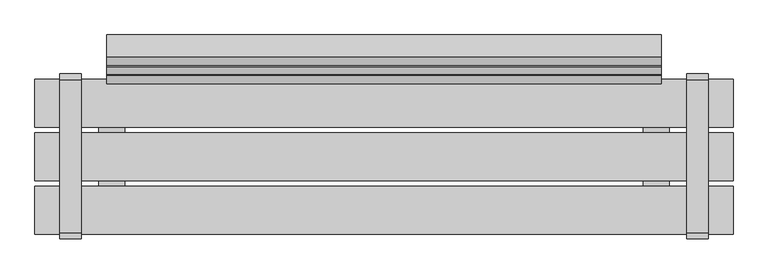
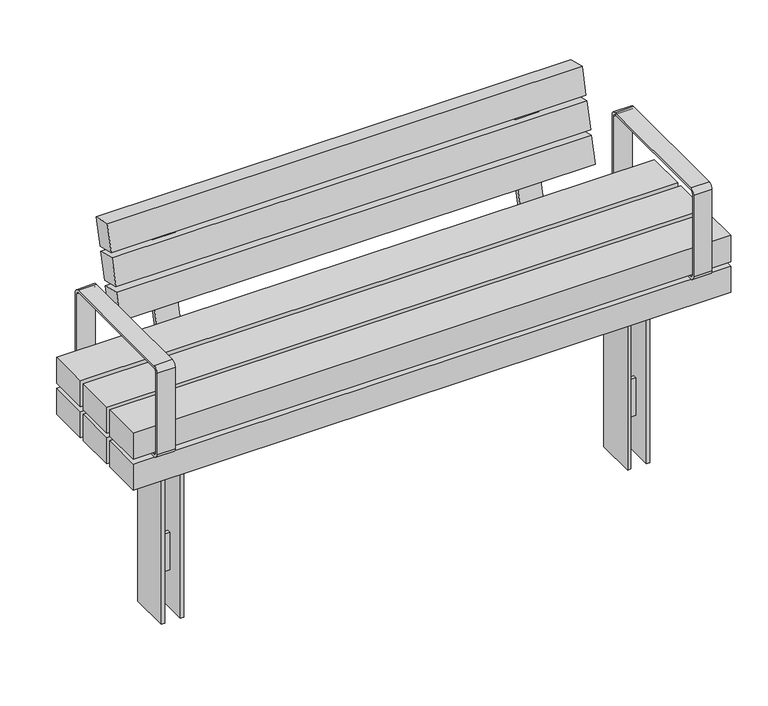
"""IFC4 building model written with IfcOpenShell, lengths in millimetres: furniture geometry."""

from ifc_helpers import new_model, si_unit, point, frame, frame_2d, origin, place, context, project, spatial, polyline, circle_curve, trimmed, segment, composite_curve, outline, extrude, faceted_brep, source, transform, mapped, element, save


def furniture_9294d558(model_context):
    return source(origin(), model_context, "Body", "SolidModel", [
        faceted_brep([(-678.5975006, -5.0, -60.0), (-725.6380966, -5.0, -60.0), (-725.6380966, -5.0, -180.0), (-678.5975006, -5.0, -180.0), (-678.5975006, 5.0, -180.0), (-725.6380966, 5.0, -180.0), (-725.6380966, 5.0, -60.0), (-678.5975006, 5.0, -60.0), (-785.6380966, -61.5083224, 258.7167987), (-735.6380966, -61.5083224, 258.7167987), (-735.6380966, -61.5083224, -300.0), (-725.6380966, -61.5083224, -300.0), (-725.6380966, -61.5083224, 268.7167987), (-785.6380966, -61.5083224, 268.7167987), (-618.5975006, -61.5083224, 258.7167987), (-618.5975006, -61.5083224, 268.7167987), (-678.5975006, -61.5083224, 268.7167987), (-678.5975006, -61.5083224, -300.0), (-668.5975006, -61.5083224, -300.0), (-668.5975006, -61.5083224, 258.7167987), (-618.5975006, 61.5083654, 258.7167987), (-668.5975006, 61.5083654, 258.7167987), (-668.5975006, 61.5083654, -300.0), (-678.5975006, 61.5083654, -300.0), (-678.5975006, 61.5083654, 268.7167987), (-618.5975006, 61.5083654, 268.7167987), (-785.6380966, 61.5083654, 258.7167987), (-785.6380966, 61.5083654, 268.7167987), (-725.6380966, 61.5083654, 268.7167987), (-725.6380966, 61.5083654, -300.0), (-735.6380966, 61.5083654, -300.0), (-735.6380966, 61.5083654, 258.7167987)], [[[0, 1, 2, 3]], [[4, 5, 6, 7]], [[1, 0, 7, 6]], [[3, 2, 5, 4]], [[8, 9, 10, 11, 12, 13]], [[14, 15, 16, 17, 18, 19]], [[20, 21, 22, 23, 24, 25]], [[26, 27, 28, 29, 30, 31]], [[9, 8, 26, 31]], [[10, 9, 31, 30]], [[19, 18, 22, 21]], [[14, 19, 21, 20]], [[15, 14, 20, 25]], [[16, 15, 25, 24]], [[17, 16, 24, 23], [0, 3, 4, 7]], [[12, 11, 29, 28], [2, 1, 6, 5]], [[13, 12, 28, 27]], [[8, 13, 27, 26]], [[11, 10, 30, 29]], [[18, 17, 23, 22]]]),
        faceted_brep([(725.6380966, -5.0, -60.0), (678.5975006, -5.0, -60.0), (678.5975006, -5.0, -180.0), (725.6380966, -5.0, -180.0), (725.6380966, 5.0, -180.0), (678.5975006, 5.0, -180.0), (678.5975006, 5.0, -60.0), (725.6380966, 5.0, -60.0), (785.6380966, -61.5083224, 258.7167987), (785.6380966, -61.5083224, 268.7167987), (725.6380966, -61.5083224, 268.7167987), (725.6380966, -61.5083224, -300.0), (735.6380966, -61.5083224, -300.0), (735.6380966, -61.5083224, 258.7167987), (618.5975006, -61.5083224, 258.7167987), (668.5975006, -61.5083224, 258.7167987), (668.5975006, -61.5083224, -300.0), (678.5975006, -61.5083224, -300.0), (678.5975006, -61.5083224, 268.7167987), (618.5975006, -61.5083224, 268.7167987), (785.6380966, 61.5083654, 258.7167987), (735.6380966, 61.5083654, 258.7167987), (735.6380966, 61.5083654, -300.0), (725.6380966, 61.5083654, -300.0), (725.6380966, 61.5083654, 268.7167987), (785.6380966, 61.5083654, 268.7167987), (618.5975006, 61.5083654, 258.7167987), (618.5975006, 61.5083654, 268.7167987), (678.5975006, 61.5083654, 268.7167987), (678.5975006, 61.5083654, -300.0), (668.5975006, 61.5083654, -300.0), (668.5975006, 61.5083654, 258.7167987)], [[[0, 1, 2, 3]], [[4, 5, 6, 7]], [[1, 0, 7, 6]], [[3, 2, 5, 4]], [[8, 9, 10, 11, 12, 13]], [[14, 15, 16, 17, 18, 19]], [[20, 21, 22, 23, 24, 25]], [[26, 27, 28, 29, 30, 31]], [[9, 8, 20, 25]], [[10, 9, 25, 24]], [[11, 10, 24, 23], [0, 3, 4, 7]], [[12, 11, 23, 22]], [[13, 12, 22, 21]], [[8, 13, 21, 20]], [[15, 14, 26, 31]], [[16, 15, 31, 30]], [[17, 16, 30, 29]], [[18, 17, 29, 28], [2, 1, 6, 5]], [[19, 18, 28, 27]], [[14, 19, 27, 26]]]),
        extrude(outline(composite_curve([segment(polyline([(198.4124417, 351.8217453), (-196.5875583, 351.8217453)]), True, "CONTINUOUS"), segment(trimmed(circle_curve(frame_2d((-196.5875583, 366.8217453)), 15.0), [point((-196.5875583, 351.8217453))], [point((-211.5875583, 366.8217453))], False, "CARTESIAN"), True, "CONTINUOUS"), segment(polyline([(-211.5875583, 366.8217453), (-211.5875583, 626.8217453)]), True, "CONTINUOUS"), segment(trimmed(circle_curve(frame_2d((-196.5875583, 626.8217453)), 15.0), [point((-211.5875583, 626.8217453))], [point((-196.5875583, 641.8217453))], False, "CARTESIAN"), True, "CONTINUOUS"), segment(polyline([(-196.5875583, 641.8217453), (198.4124417, 641.8217453)]), True, "CONTINUOUS"), segment(trimmed(circle_curve(frame_2d((198.4124417, 626.8217453)), 15.0), [point((198.4124417, 641.8217453))], [point((213.4124417, 626.8217453))], False, "CARTESIAN"), True, "CONTINUOUS"), segment(polyline([(213.4124417, 626.8217453), (213.4124417, 366.8217453)]), True, "CONTINUOUS"), segment(trimmed(circle_curve(frame_2d((198.4124417, 366.8217453)), 15.0), [point((213.4124417, 366.8217453))], [point((198.4124417, 351.8217453))], False, "CARTESIAN"), True, "CONTINUOUS")], self_intersect=False), holes=[composite_curve([segment(trimmed(circle_curve(frame_2d((-196.5875583, 366.8217453)), 6.5), [point((-203.0875583, 366.8217453))], [point((-196.5875583, 360.3217453))], True, "CARTESIAN"), True, "CONTINUOUS"), segment(polyline([(-196.5875583, 360.3217453), (198.4124417, 360.3217453)]), True, "CONTINUOUS"), segment(trimmed(circle_curve(frame_2d((198.4124417, 366.8217453)), 6.5), [point((198.4124417, 360.3217453))], [point((204.9124417, 366.8217453))], True, "CARTESIAN"), True, "CONTINUOUS"), segment(polyline([(204.9124417, 366.8217453), (204.9124417, 626.8217453)]), True, "CONTINUOUS"), segment(trimmed(circle_curve(frame_2d((198.4124417, 626.8217453)), 6.5), [point((204.9124417, 626.8217453))], [point((198.4124417, 633.3217453))], True, "CARTESIAN"), True, "CONTINUOUS"), segment(polyline([(198.4124417, 633.3217453), (-196.5875583, 633.3217453)]), True, "CONTINUOUS"), segment(trimmed(circle_curve(frame_2d((-196.5875583, 626.8217453)), 6.5), [point((-196.5875583, 633.3217453))], [point((-203.0875583, 626.8217453))], True, "CARTESIAN"), True, "CONTINUOUS"), segment(polyline([(-203.0875583, 626.8217453), (-203.0875583, 366.8217453)]), True, "CONTINUOUS")], self_intersect=False)]), frame((-836.1291871, 0.0, 0.0), z_axis=(1.0, 0.0, 0.0), x_axis=(0.0, 1.0, 0.0)), (0.0, 0.0, 1.0), 55.0),
        extrude(outline(polyline([(351.8217453, 900.0000373), (351.8217453, -900.0), (268.7167987, -900.0), (268.7167987, 900.0000373), (351.8217453, 900.0000373)]), holes=[polyline([(339.8217453, -888.0), (339.8217453, 888.0), (280.7167987, 888.0), (280.7167987, -888.0), (339.8217453, -888.0)])]), frame((0.0, -61.5000218, 0.0), z_axis=(0.0, 1.0, 0.0), x_axis=(0.0, 0.0, 1.0)), (0.0, 0.0, 1.0), 123.0000435),
        extrude(outline(composite_curve([segment(polyline([(198.4124417, 351.8217453), (-196.5875583, 351.8217453)]), True, "CONTINUOUS"), segment(trimmed(circle_curve(frame_2d((-196.5875583, 366.8217453)), 15.0), [point((-196.5875583, 351.8217453))], [point((-211.5875583, 366.8217453))], False, "CARTESIAN"), True, "CONTINUOUS"), segment(polyline([(-211.5875583, 366.8217453), (-211.5875583, 626.8217453)]), True, "CONTINUOUS"), segment(trimmed(circle_curve(frame_2d((-196.5875583, 626.8217453)), 15.0), [point((-211.5875583, 626.8217453))], [point((-196.5875583, 641.8217453))], False, "CARTESIAN"), True, "CONTINUOUS"), segment(polyline([(-196.5875583, 641.8217453), (198.4124417, 641.8217453)]), True, "CONTINUOUS"), segment(trimmed(circle_curve(frame_2d((198.4124417, 626.8217453)), 15.0), [point((198.4124417, 641.8217453))], [point((213.4124417, 626.8217453))], False, "CARTESIAN"), True, "CONTINUOUS"), segment(polyline([(213.4124417, 626.8217453), (213.4124417, 366.8217453)]), True, "CONTINUOUS"), segment(trimmed(circle_curve(frame_2d((198.4124417, 366.8217453)), 15.0), [point((213.4124417, 366.8217453))], [point((198.4124417, 351.8217453))], False, "CARTESIAN"), True, "CONTINUOUS")], self_intersect=False), holes=[composite_curve([segment(trimmed(circle_curve(frame_2d((-196.5875583, 366.8217453)), 6.5), [point((-203.0875583, 366.8217453))], [point((-196.5875583, 360.3217453))], True, "CARTESIAN"), True, "CONTINUOUS"), segment(polyline([(-196.5875583, 360.3217453), (198.4124417, 360.3217453)]), True, "CONTINUOUS"), segment(trimmed(circle_curve(frame_2d((198.4124417, 366.8217453)), 6.5), [point((198.4124417, 360.3217453))], [point((204.9124417, 366.8217453))], True, "CARTESIAN"), True, "CONTINUOUS"), segment(polyline([(204.9124417, 366.8217453), (204.9124417, 626.8217453)]), True, "CONTINUOUS"), segment(trimmed(circle_curve(frame_2d((198.4124417, 626.8217453)), 6.5), [point((204.9124417, 626.8217453))], [point((198.4124417, 633.3217453))], True, "CARTESIAN"), True, "CONTINUOUS"), segment(polyline([(198.4124417, 633.3217453), (-196.5875583, 633.3217453)]), True, "CONTINUOUS"), segment(trimmed(circle_curve(frame_2d((-196.5875583, 626.8217453)), 6.5), [point((-196.5875583, 633.3217453))], [point((-203.0875583, 626.8217453))], True, "CARTESIAN"), True, "CONTINUOUS"), segment(polyline([(-203.0875583, 626.8217453), (-203.0875583, 366.8217453)]), True, "CONTINUOUS")], self_intersect=False)]), frame((781.1291871, 0.0, 0.0), z_axis=(1.0, 0.0, 0.0), x_axis=(0.0, 1.0, 0.0)), (0.0, 0.0, 1.0), 55.0),
        extrude(outline(composite_curve([segment(polyline([(301.7676975, 665.0239384), (227.7235932, 368.0492568)]), True, "CONTINUOUS"), segment(trimmed(circle_curve(frame_2d((206.9533257, 373.2278661)), 21.4061208), [point((227.7235932, 368.0492568))], [point((206.9533257, 351.8217453))], False, "CARTESIAN"), True, "CONTINUOUS"), segment(polyline([(206.9533257, 351.8217453), (76.4999782, 351.8217453), (76.4999782, 366.8258682), (207.2227467, 366.8258682)]), True, "CONTINUOUS"), segment(trimmed(circle_curve(frame_2d((207.2227467, 376.8258682)), 10.0), [point((207.2227467, 366.8258682))], [point((216.925704, 374.4066493))], True, "CARTESIAN"), True, "CONTINUOUS"), segment(polyline([(216.925704, 374.4066493), (290.8352259, 670.8415506), (252.7658072, 680.3333227), (255.6688699, 691.9768714), (290.84209, 683.2072027)]), True, "CONTINUOUS"), segment(trimmed(circle_curve(frame_2d((287.2132616, 668.6527668)), 15.0), [point((290.84209, 683.2072027))], [point((301.7676975, 665.0239384))], False, "CARTESIAN"), True, "CONTINUOUS")], self_intersect=False)), frame((-582.1768452, 0.0, 0.0), z_axis=(1.0, 0.0, 0.0), x_axis=(0.0, 1.0, 0.0)), (0.0, 0.0, 1.0), 70.0),
        extrude(outline(composite_curve([segment(polyline([(301.7676975, 665.0239384), (227.7235932, 368.0492568)]), True, "CONTINUOUS"), segment(trimmed(circle_curve(frame_2d((206.9533257, 373.2278661)), 21.4061208), [point((227.7235932, 368.0492568))], [point((206.9533257, 351.8217453))], False, "CARTESIAN"), True, "CONTINUOUS"), segment(polyline([(206.9533257, 351.8217453), (76.4999782, 351.8217453), (76.4999782, 366.8258682), (207.2227467, 366.8258682)]), True, "CONTINUOUS"), segment(trimmed(circle_curve(frame_2d((207.2227467, 376.8258682)), 10.0), [point((207.2227467, 366.8258682))], [point((216.925704, 374.4066493))], True, "CARTESIAN"), True, "CONTINUOUS"), segment(polyline([(216.925704, 374.4066493), (290.8352259, 670.8415506), (252.7658072, 680.3333227), (255.6688699, 691.9768714), (290.84209, 683.2072027)]), True, "CONTINUOUS"), segment(trimmed(circle_curve(frame_2d((287.2132616, 668.6527668)), 15.0), [point((290.84209, 683.2072027))], [point((301.7676975, 665.0239384))], False, "CARTESIAN"), True, "CONTINUOUS")], self_intersect=False)), frame((512.1769562, 0.0, 0.0), z_axis=(1.0, 0.0, 0.0), x_axis=(0.0, 1.0, 0.0)), (0.0, 0.0, 1.0), 70.0),
        extrude(outline(polyline([(0.0, -60.0), (0.0, 0.0), (1430.0000015, 0.0), (1430.0000015, -60.0), (0.0, -60.0)])), frame((715.0000752, 188.1106519, 506.8497082), z_axis=(0.0, 0.24226794219074058, 0.9702093816216497), x_axis=(-1.0, 0.0, 0.0)), (0.0, 0.0, 1.0), 82.9016978),
        extrude(outline(polyline([(0.0, -60.0), (0.0, 0.0), (1430.0000015, 0.0), (1430.0000015, -60.0), (0.0, -60.0)])), frame((715.0000752, 211.8519257, 601.9262847), z_axis=(0.0, 0.24226794219074002, 0.9702093816216498), x_axis=(-1.0, 0.0, 0.0)), (0.0, 0.0, 1.0), 82.9016978),
        extrude(outline(polyline([(0.0, -60.0), (0.0, 0.0), (1430.0000015, 0.0), (1430.0000015, -60.0), (0.0, -60.0)])), frame((715.0000752, 235.5883657, 696.9835034), z_axis=(0.0, 0.24226794219073886, 0.9702093816216503), x_axis=(-1.0, 0.0, 0.0)), (0.0, 0.0, 1.0), 82.9016978),
        extrude(outline(polyline([(900.0, -76.5174894), (900.0, -199.5174894), (-900.0, -199.5174894), (-900.0, -76.5174894), (900.0, -76.5174894)])), frame((0.0, 0.0, 366.8258682), z_axis=(0.0, 0.0, 1.0), x_axis=(1.0, 0.0, 0.0)), (0.0, 0.0, 1.0), 83.1049466),
        extrude(outline(polyline([(900.0, 61.4888479), (900.0, -61.5111521), (-900.0, -61.5111521), (-900.0, 61.4888479), (900.0, 61.4888479)])), frame((0.0, 0.0, 366.8258682), z_axis=(0.0, 0.0, 1.0), x_axis=(1.0, 0.0, 0.0)), (0.0, 0.0, 1.0), 83.1049466),
        extrude(outline(polyline([(900.0, 199.4999782), (900.0, 76.4999782), (-900.0, 76.4999782), (-900.0, 199.4999782), (900.0, 199.4999782)])), frame((0.0, 0.0, 366.8258682), z_axis=(0.0, 0.0, 1.0), x_axis=(1.0, 0.0, 0.0)), (0.0, 0.0, 1.0), 83.1049466),
        extrude(outline(polyline([(900.0, -76.5174894), (900.0, -199.5174894), (-900.0, -199.5174894), (-900.0, -76.5174894), (900.0, -76.5174894)])), frame((0.0, 0.0, 268.7167987), z_axis=(0.0, 0.0, 1.0), x_axis=(1.0, 0.0, 0.0)), (0.0, 0.0, 1.0), 83.1049466),
        extrude(outline(polyline([(900.0, 199.4999782), (900.0, 76.4999782), (-900.0, 76.4999782), (-900.0, 199.4999782), (900.0, 199.4999782)])), frame((0.0, 0.0, 268.7167987), z_axis=(0.0, 0.0, 1.0), x_axis=(1.0, 0.0, 0.0)), (0.0, 0.0, 1.0), 83.1049466),
        extrude(outline(polyline([(735.4649994, -171.2111197), (668.4244034, -171.2111197), (668.4244034, 168.7288553), (735.4649994, 168.7288553), (735.4649994, -171.2111197)])), frame((0.0, 0.0, 351.8217453), z_axis=(0.0, 0.0, 1.0), x_axis=(1.0, 0.0, 0.0)), (0.0, 0.0, 1.0), 15.004123),
        extrude(outline(polyline([(-668.5975006, -171.2111197), (-735.6380966, -171.2111197), (-735.6380966, 168.7288553), (-668.5975006, 168.7288553), (-668.5975006, -171.2111197)])), frame((0.0, 0.0, 351.8217453), z_axis=(0.0, 0.0, 1.0), x_axis=(1.0, 0.0, 0.0)), (0.0, 0.0, 1.0), 15.004123),
    ])


if __name__ == "__main__":
    model = new_model("IFC4")
    model_context = context("Model", 3, world=origin())
    ifc_project = project(units=[si_unit("LENGTHUNIT", "METRE", prefix="MILLI")], contexts=[model_context])
    site = spatial("IfcSite", under=ifc_project)
    building = spatial("IfcBuilding", under=site)
    placement = place(None, origin())
    furniture_shape = furniture_9294d558(model_context)
    element("IfcFurniture", 1, at=placement, inside=building, context=model_context, shape_type="MappedRepresentation", body=[
        mapped(furniture_shape, transform((0.0, 0.0, 0.0), x_axis=(1.0, 0.0, 0.0), y_axis=(0.0, 1.0, 0.0), z_axis=(0.0, 0.0, 1.0))),
    ])
    save(model, "model.ifc")
